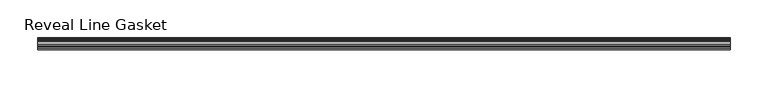
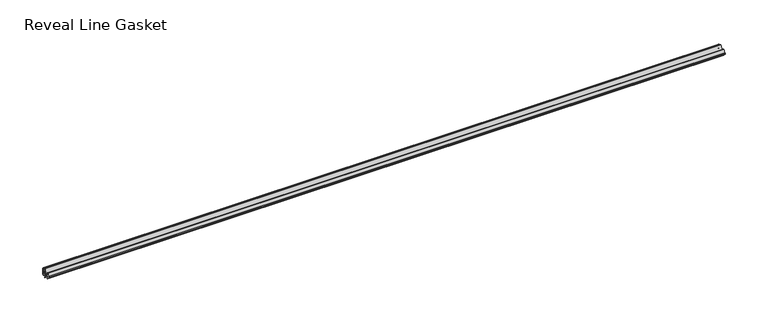
"""IFC4 building model written with IfcOpenShell, lengths in millimetres: furniture geometry, Reveal Line Gasket."""

from ifc_helpers import new_model, si_unit, point, frame, frame_2d, origin, place, context, project, spatial, polyline, circle_curve, trimmed, segment, composite_curve, outline, extrude, source, transform, mapped, element, save


def reveal_line_gasket_4500f985(model_context):
    return source(origin(), model_context, "Body", "SweptSolid", [
        extrude(outline(composite_curve([segment(polyline([(7.6326998, 1603.2), (7.6326998, 1597.2), (7.4091917, 1596.2445073), (6.8813059, 1595.3115316)]), True, "CONTINUOUS"), segment(trimmed(circle_curve(frame_2d((6.5243141, 1595.5135207)), 0.4101739), [point((6.8813059, 1595.3115316))], [point((6.1246704, 1595.6058653))], False, "CARTESIAN"), True, "CONTINUOUS"), segment(polyline([(6.1246704, 1595.6058653), (6.3626997, 1597.3020914), (6.3626997, 1599.3345473)]), True, "CONTINUOUS"), segment(trimmed(circle_curve(frame_2d((5.6959605, 1598.9180742)), 0.786124), [point((6.3626997, 1599.3345473))], [point((5.0926996, 1599.422125))], True, "CARTESIAN"), True, "CONTINUOUS"), segment(polyline([(5.0926996, 1599.422125), (0.7492996, 1599.422125), (3.7293824, 1594.2604705)]), True, "CONTINUOUS"), segment(trimmed(circle_curve(frame_2d((3.3132479, 1594.1950239)), 0.4212495), [point((3.7293824, 1594.2604705))], [point((3.0485022, 1593.8673642))], False, "CARTESIAN"), True, "CONTINUOUS"), segment(polyline([(3.0485022, 1593.8673642), (-0.5742594, 1599.422125), (-4.8262978, 1599.422125), (-3.1660374, 1596.5464703)]), True, "CONTINUOUS"), segment(trimmed(circle_curve(frame_2d((-3.5978728, 1596.4881145)), 0.4357605), [point((-3.1660374, 1596.5464703))], [point((-3.864328, 1596.1433119))], False, "CARTESIAN"), True, "CONTINUOUS"), segment(polyline([(-3.864328, 1596.1433119), (-6.1944059, 1599.422125), (-7.6326998, 1599.422125), (-7.6326998, 1600.977875), (-6.1944059, 1600.977875), (-3.864328, 1604.2566881)]), True, "CONTINUOUS"), segment(trimmed(circle_curve(frame_2d((-3.5978728, 1603.9118855)), 0.4357605), [point((-3.864328, 1604.2566881))], [point((-3.1660374, 1603.8535297))], False, "CARTESIAN"), True, "CONTINUOUS"), segment(polyline([(-3.1660374, 1603.8535297), (-4.8262978, 1600.977875), (-0.5742594, 1600.977875), (3.0485022, 1606.5326358)]), True, "CONTINUOUS"), segment(trimmed(circle_curve(frame_2d((3.3132479, 1606.2049761)), 0.4212495), [point((3.0485022, 1606.5326358))], [point((3.7293824, 1606.1395295))], False, "CARTESIAN"), True, "CONTINUOUS"), segment(polyline([(3.7293824, 1606.1395295), (0.7492996, 1600.977875), (5.0926996, 1600.977875)]), True, "CONTINUOUS"), segment(trimmed(circle_curve(frame_2d((5.6959605, 1601.4819258)), 0.786124), [point((5.0926996, 1600.977875))], [point((6.3626997, 1601.0654527))], True, "CARTESIAN"), True, "CONTINUOUS"), segment(polyline([(6.3626997, 1601.0654527), (6.3626997, 1603.0979086), (6.1246704, 1604.7941347)]), True, "CONTINUOUS"), segment(trimmed(circle_curve(frame_2d((6.5243141, 1604.8864793)), 0.4101739), [point((6.1246704, 1604.7941347))], [point((6.8813059, 1605.0884684))], False, "CARTESIAN"), True, "CONTINUOUS"), segment(polyline([(6.8813059, 1605.0884684), (7.4091917, 1604.1554927), (7.6326998, 1603.2)]), True, "CONTINUOUS")], self_intersect=False)), frame((-455.4056163, 0.0, 0.0), z_axis=(1.0, 0.0, 0.0), x_axis=(0.0, 1.0, 0.0)), (0.0, 0.0, 1.0), 910.8112326),
    ])


if __name__ == "__main__":
    model = new_model("IFC4")
    model_context = context("Model", 3, world=origin())
    ifc_project = project(units=[si_unit("LENGTHUNIT", "METRE", prefix="MILLI")], contexts=[model_context])
    site = spatial("IfcSite", under=ifc_project)
    building = spatial("IfcBuilding", under=site)
    placement = place(None, origin())
    reveal_line_gasket_shape = reveal_line_gasket_4500f985(model_context)
    element("IfcFurniture", 1, ObjectType="Reveal Line Gasket", at=placement, inside=building, context=model_context, shape_type="MappedRepresentation", body=[
        mapped(reveal_line_gasket_shape, transform((0.0, 0.0, 0.0), x_axis=(1.0, 0.0, 0.0), y_axis=(0.0, 1.0, 0.0), z_axis=(0.0, 0.0, 1.0))),
    ])
    save(model, "model.ifc")
